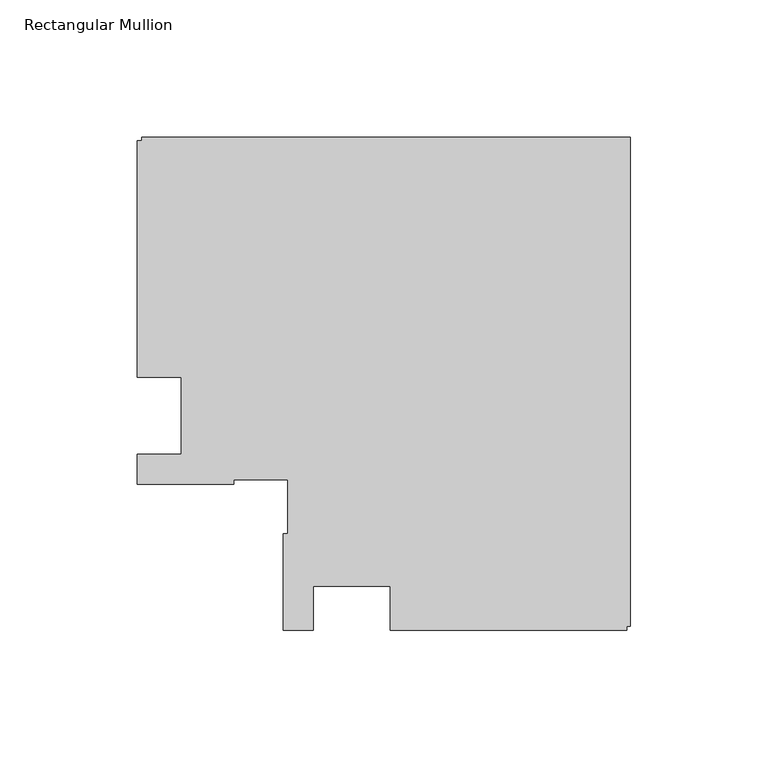
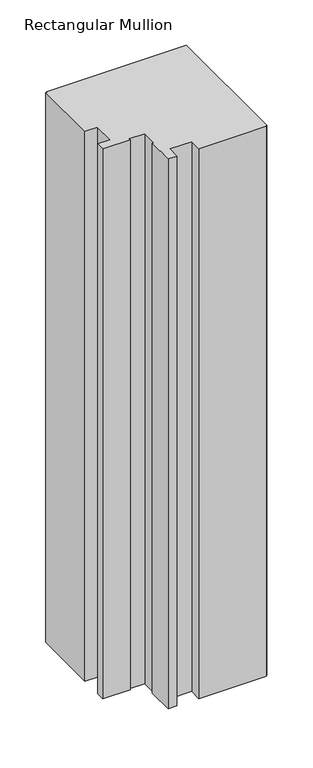
"""IFC4 building model written with IfcOpenShell, lengths in millimetres: member geometry, Rectangular Mullion."""

from ifc_helpers import new_model, si_unit, frame, origin, place, context, project, spatial, polyline, outline, extrude, source, transform, mapped, element, save


def rectangular_mullion_266a5ce1(model_context):
    return source(origin(), model_context, "Body", "SweptSolid", [
        extrude(outline(polyline([(-179.1817613, 13.9960563), (-179.1817613, 100.0001107), (-177.7039408, 100.0001107), (-177.7039408, 101.2001107), (0.0, 101.2001107), (0.0, -76.4884533), (-1.2039451, -76.4884533), (-1.2039451, -77.9816506), (-87.2040012, -77.9816506), (-87.2040012, -61.9816243), (-115.2040012, -61.9816243), (-115.2040012, -77.9816506), (-126.2039451, -77.9816506), (-126.2039451, -42.9816243), (-124.518731, -42.9816243), (-124.518731, -23.3186203), (-144.1817351, -23.3186203), (-144.1817351, -25.0038344), (-179.1817351, -25.0038344), (-179.1817351, -14.0038344), (-163.1817351, -14.0038344), (-163.1817351, 13.9960563), (-179.1817613, 13.9960563)])), frame((0.0, 0.0, -740.0), z_axis=(0.0, 0.0, 1.0), x_axis=(1.0, 0.0, 0.0)), (0.0, 0.0, 1.0), 740.0),
    ])


if __name__ == "__main__":
    model = new_model("IFC4")
    model_context = context("Model", 3, world=origin())
    ifc_project = project(units=[si_unit("LENGTHUNIT", "METRE", prefix="MILLI")], contexts=[model_context])
    site = spatial("IfcSite", under=ifc_project)
    building = spatial("IfcBuilding", under=site)
    placement = place(None, origin())
    rectangular_mullion_shape = rectangular_mullion_266a5ce1(model_context)
    element("IfcMember", 1, ObjectType="Rectangular Mullion", at=placement, inside=building, context=model_context, shape_type="MappedRepresentation", body=[
        mapped(rectangular_mullion_shape, transform((0.0, 0.0, 0.0), x_axis=(1.0, 0.0, 0.0), y_axis=(0.0, 1.0, 0.0), z_axis=(0.0, 0.0, 1.0))),
    ])
    save(model, "model.ifc")
